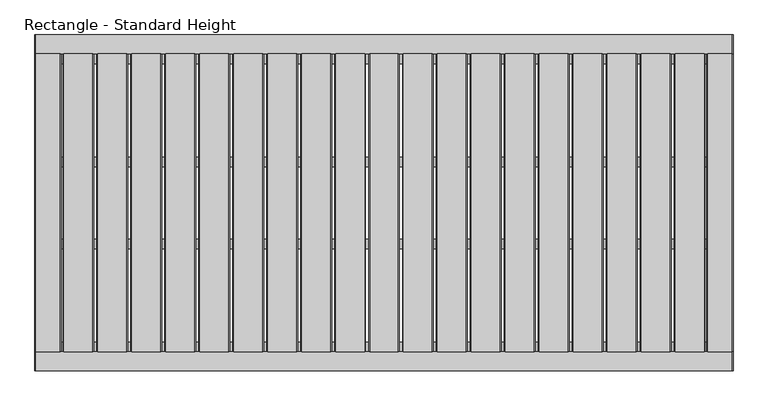
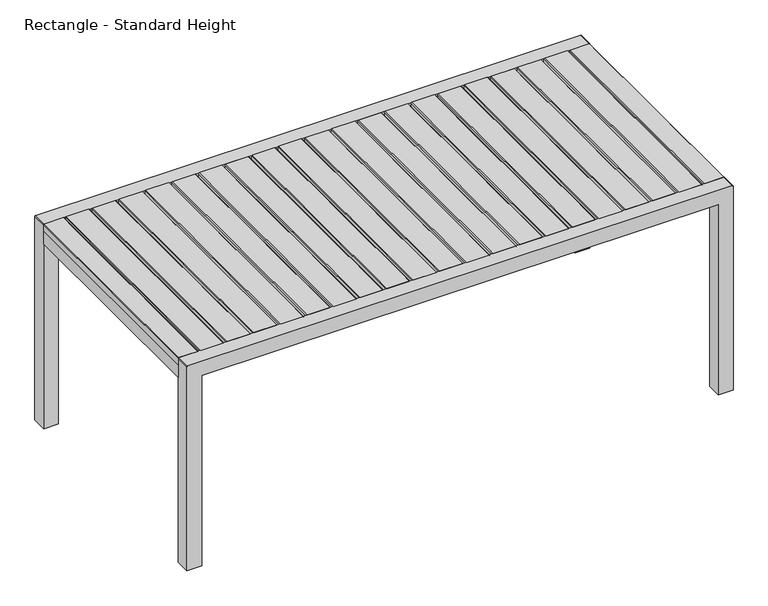
"""IFC4 building model written with IfcOpenShell, lengths in millimetres: furniture geometry, Rectangle - Standard Height."""

from ifc_helpers import new_model, si_unit, point, frame, frame_2d, origin, place, context, project, spatial, polyline, circle_curve, trimmed, segment, composite_curve, outline, extrude, source, transform, mapped, element, save


def rectangle_standard_height_b923103e(model_context):
    return source(origin(), model_context, "Body", "SweptSolid", [
        extrude(outline(polyline([(711.2, 764.8883681), (734.0767182, 764.8883681), (736.6, 762.3651179), (736.6, 685.2584932), (734.0767182, 682.7352431), (711.2, 682.7352431), (711.2, 764.8883681)])), frame((0.0, -400.9049408, 0.0), z_axis=(0.0, 1.0, 0.0), x_axis=(0.0, 0.0, 1.0)), (0.0, 0.0, 1.0), 793.75),
        extrude(outline(polyline([(711.2, 674.4118924), (734.0767182, 674.4118924), (736.6, 671.8886422), (736.6, 594.7820175), (734.0767182, 592.2587674), (711.2, 592.2587674), (711.2, 674.4118924)])), frame((0.0, -400.9049408, 0.0), z_axis=(0.0, 1.0, 0.0), x_axis=(0.0, 0.0, 1.0)), (0.0, 0.0, 1.0), 793.75),
        extrude(outline(polyline([(711.2, 583.9354167), (734.0767182, 583.9354167), (736.6, 581.4121665), (736.6, 504.3055418), (734.0767182, 501.7822917), (711.2, 501.7822917), (711.2, 583.9354167)])), frame((0.0, -400.9049408, 0.0), z_axis=(0.0, 1.0, 0.0), x_axis=(0.0, 0.0, 1.0)), (0.0, 0.0, 1.0), 793.75),
        extrude(outline(polyline([(711.2, 493.458941), (734.0767182, 493.458941), (736.6, 490.9356908), (736.6, 413.8290661), (734.0767182, 411.305816), (711.2, 411.305816), (711.2, 493.458941)])), frame((0.0, -400.9049408, 0.0), z_axis=(0.0, 1.0, 0.0), x_axis=(0.0, 0.0, 1.0)), (0.0, 0.0, 1.0), 793.75),
        extrude(outline(polyline([(711.2, 402.9824653), (734.0767182, 402.9824653), (736.6, 400.4592151), (736.6, 323.3525904), (734.0767182, 320.8293403), (711.2, 320.8293403), (711.2, 402.9824653)])), frame((0.0, -400.9049408, 0.0), z_axis=(0.0, 1.0, 0.0), x_axis=(0.0, 0.0, 1.0)), (0.0, 0.0, 1.0), 793.75),
        extrude(outline(polyline([(711.2, 312.5059896), (734.0767182, 312.5059896), (736.6, 309.9827394), (736.6, 232.8761148), (734.0767182, 230.3528646), (711.2, 230.3528646), (711.2, 312.5059896)])), frame((0.0, -400.9049408, 0.0), z_axis=(0.0, 1.0, 0.0), x_axis=(0.0, 0.0, 1.0)), (0.0, 0.0, 1.0), 793.75),
        extrude(outline(polyline([(711.2, 222.0295139), (734.0767182, 222.0295139), (736.6, 219.5062637), (736.6, 142.3996391), (734.0767182, 139.8763889), (711.2, 139.8763889), (711.2, 222.0295139)])), frame((0.0, -400.9049408, 0.0), z_axis=(0.0, 1.0, 0.0), x_axis=(0.0, 0.0, 1.0)), (0.0, 0.0, 1.0), 793.75),
        extrude(outline(polyline([(711.2, 131.5530382), (734.0767182, 131.5530382), (736.6, 129.029788), (736.6, 51.9231634), (734.0767182, 49.3999132), (711.2, 49.3999132), (711.2, 131.5530382)])), frame((0.0, -400.9049408, 0.0), z_axis=(0.0, 1.0, 0.0), x_axis=(0.0, 0.0, 1.0)), (0.0, 0.0, 1.0), 793.75),
        extrude(outline(polyline([(711.2, 41.0765625), (734.0767182, 41.0765625), (736.6, 38.5533123), (736.6, -38.5533123), (734.0767182, -41.0765625), (711.2, -41.0765625), (711.2, 41.0765625)])), frame((0.0, -400.9049408, 0.0), z_axis=(0.0, 1.0, 0.0), x_axis=(0.0, 0.0, 1.0)), (0.0, 0.0, 1.0), 793.75),
        extrude(outline(polyline([(711.2, -49.3999132), (734.0767182, -49.3999132), (736.6, -51.9231634), (736.6, -129.029788), (734.0767182, -131.5530382), (711.2, -131.5530382), (711.2, -49.3999132)])), frame((0.0, -400.9049408, 0.0), z_axis=(0.0, 1.0, 0.0), x_axis=(0.0, 0.0, 1.0)), (0.0, 0.0, 1.0), 793.75),
        extrude(outline(polyline([(711.2, -139.8763889), (734.0767182, -139.8763889), (736.6, -142.3996391), (736.6, -219.5062637), (734.0767182, -222.0295139), (711.2, -222.0295139), (711.2, -139.8763889)])), frame((0.0, -400.9049408, 0.0), z_axis=(0.0, 1.0, 0.0), x_axis=(0.0, 0.0, 1.0)), (0.0, 0.0, 1.0), 793.75),
        extrude(outline(polyline([(711.2, -230.3528646), (734.0767182, -230.3528646), (736.6, -232.8761148), (736.6, -309.9827394), (734.0767182, -312.5059896), (711.2, -312.5059896), (711.2, -230.3528646)])), frame((0.0, -400.9049408, 0.0), z_axis=(0.0, 1.0, 0.0), x_axis=(0.0, 0.0, 1.0)), (0.0, 0.0, 1.0), 793.75),
        extrude(outline(polyline([(711.2, -320.8293403), (734.0767182, -320.8293403), (736.6, -323.3525904), (736.6, -400.4592151), (734.0767182, -402.9824653), (711.2, -402.9824653), (711.2, -320.8293403)])), frame((0.0, -400.9049408, 0.0), z_axis=(0.0, 1.0, 0.0), x_axis=(0.0, 0.0, 1.0)), (0.0, 0.0, 1.0), 793.75),
        extrude(outline(polyline([(711.2, -411.305816), (734.0767182, -411.305816), (736.6, -413.8290661), (736.6, -490.9356908), (734.0767182, -493.458941), (711.2, -493.458941), (711.2, -411.305816)])), frame((0.0, -400.9049408, 0.0), z_axis=(0.0, 1.0, 0.0), x_axis=(0.0, 0.0, 1.0)), (0.0, 0.0, 1.0), 793.75),
        extrude(outline(polyline([(711.2, -501.7822917), (734.0767182, -501.7822917), (736.6, -504.3055418), (736.6, -581.4121665), (734.0767182, -583.9354167), (711.2, -583.9354167), (711.2, -501.7822917)])), frame((0.0, -400.9049408, 0.0), z_axis=(0.0, 1.0, 0.0), x_axis=(0.0, 0.0, 1.0)), (0.0, 0.0, 1.0), 793.75),
        extrude(outline(polyline([(711.2, -592.2587674), (734.0767182, -592.2587674), (736.6, -594.7820175), (736.6, -671.8886422), (734.0767182, -674.4118924), (711.2, -674.4118924), (711.2, -592.2587674)])), frame((0.0, -400.9049408, 0.0), z_axis=(0.0, 1.0, 0.0), x_axis=(0.0, 0.0, 1.0)), (0.0, 0.0, 1.0), 793.75),
        extrude(outline(polyline([(711.2, -682.7352431), (734.0767182, -682.7352431), (736.6, -685.2584932), (736.6, -762.3651179), (734.0767182, -764.8883681), (711.2, -764.8883681), (711.2, -682.7352431)])), frame((0.0, -400.9049408, 0.0), z_axis=(0.0, 1.0, 0.0), x_axis=(0.0, 0.0, 1.0)), (0.0, 0.0, 1.0), 793.75),
        extrude(outline(polyline([(711.2, 855.3648438), (734.0767182, 855.3648438), (736.6, 852.8415936), (736.6, 775.7349689), (734.0767182, 773.2117188), (711.2, 773.2117188), (711.2, 855.3648438)])), frame((0.0, -400.9049408, 0.0), z_axis=(0.0, 1.0, 0.0), x_axis=(0.0, 0.0, 1.0)), (0.0, 0.0, 1.0), 793.75),
        extrude(outline(polyline([(711.2, -773.2117188), (734.0767182, -773.2117188), (736.6, -775.7349689), (736.6, -852.8415936), (734.0767182, -855.3648437), (711.2, -855.3648437), (711.2, -773.2117188)])), frame((0.0, -400.9049408, 0.0), z_axis=(0.0, 1.0, 0.0), x_axis=(0.0, 0.0, 1.0)), (0.0, 0.0, 1.0), 793.75),
        extrude(outline(polyline([(711.2, -930.275), (711.2, -860.4249879), (734.0596996, -860.4249879), (736.6, -862.9652519), (736.6, -927.7347481), (734.0597117, -930.275), (711.2, -930.275)])), frame((0.0, -400.9049408, 0.0), z_axis=(0.0, 1.0, 0.0), x_axis=(0.0, 0.0, 1.0)), (0.0, 0.0, 1.0), 793.75),
        extrude(outline(polyline([(711.2, 930.275), (734.0597117, 930.275), (736.6, 927.7347481), (736.6, 862.9652519), (734.0596996, 860.4249879), (711.2, 860.4249879), (711.2, 930.275)])), frame((0.0, -400.9049408, 0.0), z_axis=(0.0, 1.0, 0.0), x_axis=(0.0, 0.0, 1.0)), (0.0, 0.0, 1.0), 793.75),
        extrude(outline(polyline([(879.4749879, -100.3382701), (879.4749879, -125.7382731), (-879.4749879, -125.7382731), (-879.4749879, -100.3382701), (879.4749879, -100.3382701)])), frame((0.0, 0.0, 685.8), z_axis=(0.0, 0.0, 1.0), x_axis=(1.0, 0.0, 0.0)), (0.0, 0.0, 1.0), 25.4),
        extrude(outline(polyline([(879.4749879, -375.5049347), (879.4749879, -400.9049408), (-879.4749879, -400.9049408), (-879.4749879, -375.5049347), (879.4749879, -375.5049347)])), frame((0.0, 0.0, 685.8), z_axis=(0.0, 0.0, 1.0), x_axis=(1.0, 0.0, 0.0)), (0.0, 0.0, 1.0), 25.4),
        extrude(outline(polyline([(879.4749879, 392.8450592), (879.4749879, 367.4450532), (-879.4749879, 367.4450532), (-879.4749879, 392.8450592), (879.4749879, 392.8450592)])), frame((0.0, 0.0, 685.8), z_axis=(0.0, 0.0, 1.0), x_axis=(1.0, 0.0, 0.0)), (0.0, 0.0, 1.0), 25.4),
        extrude(outline(polyline([(879.4749879, 117.6783915), (879.4749879, 92.2783885), (-879.4749879, 92.2783885), (-879.4749879, 117.6783915), (879.4749879, 117.6783915)])), frame((0.0, 0.0, 685.8), z_axis=(0.0, 0.0, 1.0), x_axis=(1.0, 0.0, 0.0)), (0.0, 0.0, 1.0), 25.4),
        extrude(outline(polyline([(-879.4749879, -400.9049408), (-930.275, -400.9049408), (-930.275, 392.8450592), (-879.4749879, 392.8450592), (-879.4749879, -400.9049408)])), frame((0.0, 0.0, 665.734001), z_axis=(0.0, 0.0, 1.0), x_axis=(1.0, 0.0, 0.0)), (0.0, 0.0, 1.0), 45.465999),
        extrude(outline(polyline([(930.275, -400.9049408), (879.4749879, -400.9049408), (879.4749879, 392.8450592), (930.275, 392.8450592), (930.275, -400.9049408)])), frame((0.0, 0.0, 665.734001), z_axis=(0.0, 0.0, 1.0), x_axis=(1.0, 0.0, 0.0)), (0.0, 0.0, 1.0), 45.465999),
        extrude(outline(composite_curve([segment(polyline([(0.0, -879.4749879), (685.8, -879.4749879), (685.8, 879.4749879), (0.0, 879.4749879), (0.0, 930.275), (734.0203125, 930.275)]), True, "CONTINUOUS"), segment(trimmed(circle_curve(frame_2d((734.0203125, 927.6953125)), 2.5796875), [point((734.0203125, 930.275))], [point((736.6, 927.6953125))], False, "CARTESIAN"), True, "CONTINUOUS"), segment(polyline([(736.6, 927.6953125), (736.6, -927.6953125)]), True, "CONTINUOUS"), segment(trimmed(circle_curve(frame_2d((734.0203125, -927.6953125)), 2.5796875), [point((736.6, -927.6953125))], [point((734.0203125, -930.275))], False, "CARTESIAN"), True, "CONTINUOUS"), segment(polyline([(734.0203125, -930.275), (0.0, -930.275), (0.0, -879.4749879)]), True, "CONTINUOUS")], self_intersect=False)), frame((0.0, 392.8450592, 0.0), z_axis=(0.0, 1.0, 0.0), x_axis=(0.0, 0.0, 1.0)), (0.0, 0.0, 1.0), 50.8),
        extrude(outline(composite_curve([segment(polyline([(0.0, -879.4749879), (685.8, -879.4749879), (685.8, 879.4749879), (0.0, 879.4749879), (0.0, 930.275), (734.0203125, 930.275)]), True, "CONTINUOUS"), segment(trimmed(circle_curve(frame_2d((734.0203125, 927.6953125)), 2.5796875), [point((734.0203125, 930.275))], [point((736.6, 927.6953125))], False, "CARTESIAN"), True, "CONTINUOUS"), segment(polyline([(736.6, 927.6953125), (736.6, -927.6953125)]), True, "CONTINUOUS"), segment(trimmed(circle_curve(frame_2d((734.0203125, -927.6953125)), 2.5796875), [point((736.6, -927.6953125))], [point((734.0203125, -930.275))], False, "CARTESIAN"), True, "CONTINUOUS"), segment(polyline([(734.0203125, -930.275), (0.0, -930.275), (0.0, -879.4749879)]), True, "CONTINUOUS")], self_intersect=False)), frame((0.0, -451.7049408, 0.0), z_axis=(0.0, 1.0, 0.0), x_axis=(0.0, 0.0, 1.0)), (0.0, 0.0, 1.0), 50.8),
    ])


if __name__ == "__main__":
    model = new_model("IFC4")
    model_context = context("Model", 3, world=origin())
    ifc_project = project(units=[si_unit("LENGTHUNIT", "METRE", prefix="MILLI")], contexts=[model_context])
    site = spatial("IfcSite", under=ifc_project)
    building = spatial("IfcBuilding", under=site)
    placement = place(None, origin())
    rectangle_standard_height_shape = rectangle_standard_height_b923103e(model_context)
    element("IfcFurniture", 1, ObjectType="Rectangle - Standard Height", at=placement, inside=building, context=model_context, shape_type="MappedRepresentation", body=[
        mapped(rectangle_standard_height_shape, transform((0.0, 0.0, 0.0), x_axis=(1.0, 0.0, 0.0), y_axis=(0.0, 1.0, 0.0), z_axis=(0.0, 0.0, 1.0))),
    ])
    save(model, "model.ifc")
